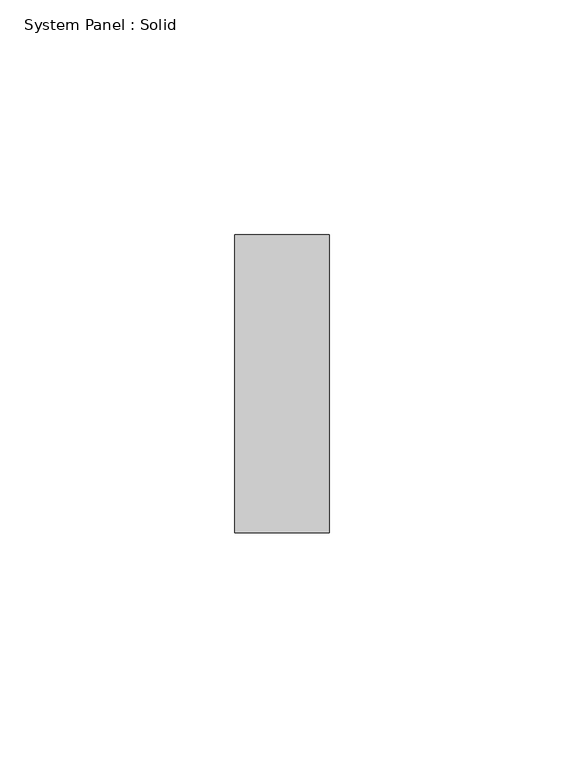
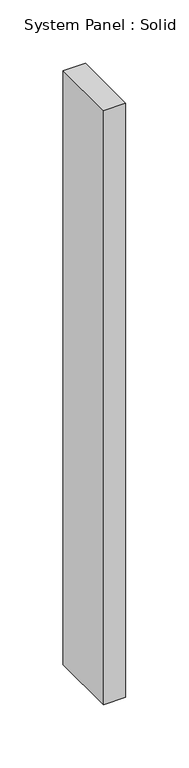
"""IFC4 building model written with IfcOpenShell, lengths in millimetres: plate geometry, System Panel : Solid."""

import ifcopenshell
import ifcopenshell.guid

model = None  # the IFC model being written
_history = None  # IfcOwnerHistory: only IFC2X3 demands one
_inside = {}  # id of a spatial element -> (the spatial element, [elements in it])
_under = {}  # id of a project, library or spatial element -> (it, [spatial elements below it])
_declared = {}  # id of a project -> (the project, [libraries it declares])
_typed = {}  # id of a type object -> (the type object, [elements of that type])
_made_of = {}  # id of a material, layer set ... -> (it, [elements and type objects made of it])


def new_model(schema):
    """Start an empty IFC model of exactly this schema.

    Asked for "IFC4X3", IfcOpenShell would pick the latest addendum, in which some entities
    have other attributes; the version numbers below select the first issue.
    IFC2X3 requires an IfcOwnerHistory on every rooted entity: one is made here for all.
    """
    global model, _history
    if schema == "IFC4X3":
        model = ifcopenshell.file(schema_version=(4, 3, 0, 0))
    else:
        model = ifcopenshell.file(schema=schema)
    _inside.clear()
    _under.clear()
    _declared.clear()
    _typed.clear()
    _made_of.clear()
    _history = None
    if model.schema == "IFC2X3":
        org = make("IfcOrganization", Name="unknown")
        user = make(
            "IfcPersonAndOrganization",
            ThePerson=make("IfcPerson", FamilyName="unknown"),
            TheOrganization=org,
        )
        app = make(
            "IfcApplication",
            ApplicationDeveloper=org,
            Version="unknown",
            ApplicationFullName="unknown",
            ApplicationIdentifier="unknown",
        )
        _history = make(
            "IfcOwnerHistory",
            OwningUser=user,
            OwningApplication=app,
            ChangeAction="ADDED",
            CreationDate=0,
        )
    return model


def make(cls, **values):
    """One entity of the class cls with the attributes given. An attribute that is None is left unset."""
    return model.create_entity(
        cls, **{name: value for name, value in values.items() if value is not None}
    )


def rooted(cls, **values):
    """An entity with a GlobalId (a new one), such as an element, a storey or a relation."""
    return make(cls, GlobalId=ifcopenshell.guid.new(), OwnerHistory=_history, **values)


def si_unit(unit_type, name, prefix=None):
    """IfcSIUnit, for example si_unit("LENGTHUNIT", "METRE", prefix="MILLI")."""
    return make("IfcSIUnit", UnitType=unit_type, Prefix=prefix, Name=name)


def assignment(units):
    """IfcUnitAssignment: the units of a project."""
    return None if units is None else make("IfcUnitAssignment", Units=units)


def point(xyz):
    """IfcCartesianPoint."""
    return None if xyz is None else make("IfcCartesianPoint", Coordinates=xyz)


def direction(xyz):
    """IfcDirection."""
    return None if xyz is None else make("IfcDirection", DirectionRatios=xyz)


def frame(location, z_axis=None, x_axis=None):
    """IfcAxis2Placement3D, a coordinate frame: its origin and axes. An axis left out is left unset."""
    return make(
        "IfcAxis2Placement3D",
        Location=point(location),
        Axis=direction(z_axis),
        RefDirection=direction(x_axis),
    )


def origin():
    """The frame at (0, 0, 0) with its axes left unset."""
    return frame((0.0, 0.0, 0.0))


def origin_with_axes():
    """The frame at (0, 0, 0) with the z axis (0, 0, 1) and the x axis (1, 0, 0) written out."""
    return frame((0.0, 0.0, 0.0), z_axis=(0.0, 0.0, 1.0), x_axis=(1.0, 0.0, 0.0))


def place(relative_to, where):
    """IfcLocalPlacement: puts the frame where relative to a parent placement (None: the world)."""
    return make(
        "IfcLocalPlacement", PlacementRelTo=relative_to, RelativePlacement=where
    )


def context(
    kind, dimensions, precision=None, world=None, true_north=None, identifier=None
):
    """IfcGeometricRepresentationContext, for example the 3D "Model" context."""
    return make(
        "IfcGeometricRepresentationContext",
        ContextIdentifier=identifier,
        ContextType=kind,
        CoordinateSpaceDimension=dimensions,
        Precision=precision,
        WorldCoordinateSystem=world,
        TrueNorth=true_north,
    )


def project(units=None, contexts=None):
    """IfcProject with its units and contexts."""
    return rooted(
        "IfcProject",
        Name="project",
        RepresentationContexts=contexts,
        UnitsInContext=assignment(units),
    )


def spatial(cls, under=None, at=None, **own):
    """A site, building, storey or space (cls), placed at a placement, below another one or the project."""
    s = rooted(cls, ObjectPlacement=at, **own)
    if under is not None:
        _under.setdefault(under.id(), (under, []))[1].append(s)
    return s


def polyline(points):
    """IfcPolyline through the points."""
    return make("IfcPolyline", Points=[point(p) for p in points])


def outline(outer, holes=None, kind="AREA"):
    """IfcArbitraryClosedProfileDef: a profile drawn as a closed curve; with holes, ...WithVoids."""
    if holes is None:
        return make("IfcArbitraryClosedProfileDef", ProfileType=kind, OuterCurve=outer)
    return make(
        "IfcArbitraryProfileDefWithVoids",
        ProfileType=kind,
        OuterCurve=outer,
        InnerCurves=holes,
    )


def extrude(swept, where, along, depth):
    """IfcExtrudedAreaSolid: the profile swept, set in the frame where, extruded along a direction by depth."""
    return make(
        "IfcExtrudedAreaSolid",
        SweptArea=swept,
        Position=where,
        ExtrudedDirection=direction(along),
        Depth=depth,
    )


def shape(context_of_items, identifier, shape_type, items):
    """IfcShapeRepresentation: the items that make up one representation, for example the "Body"."""
    return make(
        "IfcShapeRepresentation",
        ContextOfItems=context_of_items,
        RepresentationIdentifier=identifier,
        RepresentationType=shape_type,
        Items=items,
    )


def source(mapping_origin, context_of_items, identifier, shape_type, items):
    """IfcRepresentationMap: a shape defined once, which mapped items show again and again."""
    return make(
        "IfcRepresentationMap",
        MappingOrigin=mapping_origin,
        MappedRepresentation=shape(context_of_items, identifier, shape_type, items),
    )


def transform(
    local_origin,
    x_axis=None,
    y_axis=None,
    z_axis=None,
    scale=None,
    scale2=None,
    scale3=None,
    uniform=True,
):
    """IfcCartesianTransformationOperator3D, or its non-uniform kind. x_axis, y_axis, z_axis: its Axis1, 2, 3."""
    if uniform:
        return make(
            "IfcCartesianTransformationOperator3D",
            Axis1=direction(x_axis),
            Axis2=direction(y_axis),
            LocalOrigin=point(local_origin),
            Scale=scale,
            Axis3=direction(z_axis),
        )
    return make(
        "IfcCartesianTransformationOperator3DnonUniform",
        Axis1=direction(x_axis),
        Axis2=direction(y_axis),
        LocalOrigin=point(local_origin),
        Scale=scale,
        Axis3=direction(z_axis),
        Scale2=scale2,
        Scale3=scale3,
    )


def mapped(mapping_source, mapping_target):
    """IfcMappedItem: shows the shape of a source again, moved by a transform."""
    return make(
        "IfcMappedItem", MappingSource=mapping_source, MappingTarget=mapping_target
    )


def made_of(thing, what):
    """Note that an element or type object is made of a material, layer set ...; save() writes the relation."""
    if what is not None:
        _made_of.setdefault(what.id(), (what, []))[1].append(thing)
    return thing


def element(
    cls,
    number,
    at=None,
    inside=None,
    cuts=None,
    type_object=None,
    material=None,
    context=None,
    identifier="Body",
    shape_type=None,
    held_by="IfcProductDefinitionShape",
    body=None,
    shapes=None,
    **own,
):
    """One element of the class cls, such as IfcWall. Its Tag is "e" and its number.

    at: its placement. inside: the storey or other place that contains it. cuts: it is an
    opening in that element (IfcRelVoidsElement). A single representation is given by context,
    identifier, shape_type and body (its items); several are given by shapes. held_by: the class
    of the entity that holds the representations. save() writes the other relations.
    """
    e = rooted(cls, Tag="e%d" % number, ObjectPlacement=at, **own)
    if body is not None:
        shapes = [shape(context, identifier, shape_type, body)]
    if shapes is not None:
        e.Representation = make(held_by, Representations=shapes)
    if inside is not None:
        _inside.setdefault(inside.id(), (inside, []))[1].append(e)
    if cuts is not None:
        rooted(
            "IfcRelVoidsElement", RelatingBuildingElement=cuts, RelatedOpeningElement=e
        )
    if type_object is not None:
        _typed.setdefault(type_object.id(), (type_object, []))[1].append(e)
    return made_of(e, material)


def aggregate(whole, parts):
    """IfcRelAggregates: a whole, such as a stair, and the parts it consists of."""
    return rooted("IfcRelAggregates", RelatingObject=whole, RelatedObjects=parts)


def save(model, path):
    """Write the relations noted so far, then the file.

    IfcRelAggregates (storeys below a building ...), IfcRelContainedInSpatialStructure (elements
    in a storey), IfcRelDefinesByType, IfcRelAssociatesMaterial and IfcRelDeclares: one each for
    every whole, place, type object, material and project.
    """
    for whole, parts in _under.values():
        aggregate(whole, parts)
    for where, things in _inside.values():
        rooted(
            "IfcRelContainedInSpatialStructure",
            RelatedElements=things,
            RelatingStructure=where,
        )
    for kind, things in _typed.values():
        rooted("IfcRelDefinesByType", RelatedObjects=things, RelatingType=kind)
    for what, things in _made_of.values():
        rooted("IfcRelAssociatesMaterial", RelatedObjects=things, RelatingMaterial=what)
    for by, libraries in _declared.values():
        rooted("IfcRelDeclares", RelatingContext=by, RelatedDefinitions=libraries)
    model.write(path)


def system_panel_solid_29eb0fe0(model_context):
    return source(origin(), model_context, "Body", "SweptSolid", [
        extrude(outline(polyline([(10.0636342, -19.05), (-10.0636342, -19.05), (-10.0636342, 44.45), (10.0636342, 44.45), (10.0636342, -19.05)])), origin_with_axes(), (0.0, 0.0, 1.0), 571.5),
    ])


if __name__ == "__main__":
    model = new_model("IFC4")
    model_context = context("Model", 3, world=origin())
    ifc_project = project(units=[si_unit("LENGTHUNIT", "METRE", prefix="MILLI")], contexts=[model_context])
    site = spatial("IfcSite", under=ifc_project)
    building = spatial("IfcBuilding", under=site)
    placement = place(None, origin())
    system_panel_solid_shape = system_panel_solid_29eb0fe0(model_context)
    element("IfcPlate", 1, ObjectType="System Panel : Solid", at=placement, inside=building, context=model_context, shape_type="MappedRepresentation", body=[
        mapped(system_panel_solid_shape, transform((0.0, 0.0, 0.0), x_axis=(1.0, 0.0, 0.0), y_axis=(0.0, 1.0, 0.0), z_axis=(0.0, 0.0, 1.0))),
    ])
    save(model, "model.ifc")
